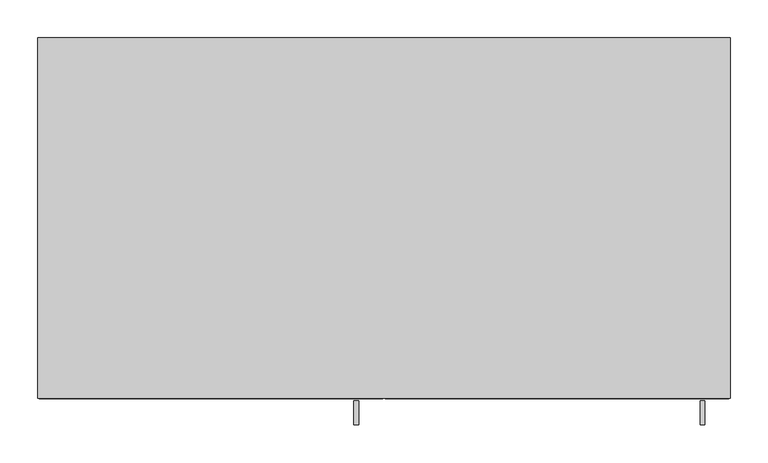
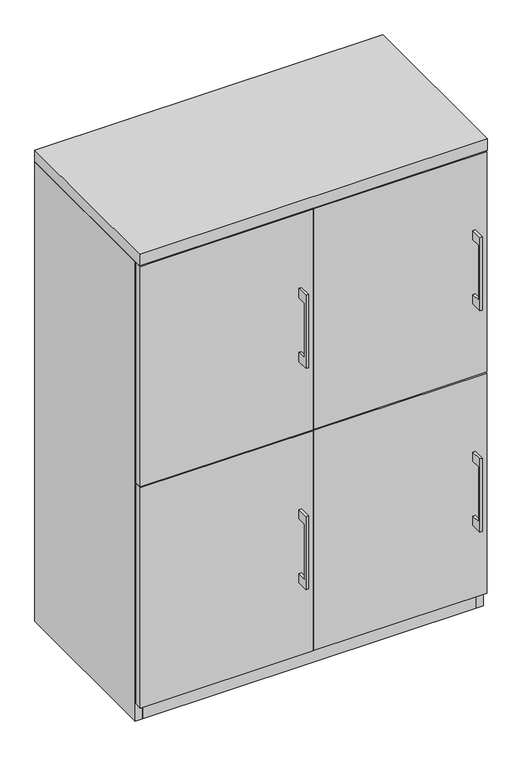
"""IFC4 building model written with IfcOpenShell, lengths in millimetres: furniture geometry."""

from ifc_helpers import new_model, si_unit, frame, origin, origin_with_axes, place, context, project, spatial, polyline, outline, extrude, source, transform, mapped, element, save


def furniture_cedd34ff(model_context):
    return source(origin(), model_context, "Body", "SweptSolid", [
        extrude(outline(polyline([(-479.425, 1043.78125), (-504.8249758, 1043.78125), (-504.8249758, 891.38125), (-479.425, 891.38125), (-479.425, 865.98125), (-511.1749879, 865.98125), (-511.1749879, 1069.18125), (-479.425, 1069.18125), (-479.425, 1043.78125)])), frame((417.5125121, 0.0, 0.0), z_axis=(1.0, 0.0, 0.0), x_axis=(0.0, 1.0, 0.0)), (0.0, 0.0, 1.0), 6.3499758),
        extrude(outline(polyline([(455.6125, -476.25), (1.5875, -476.25), (1.5875, -457.2), (455.6125, -457.2), (455.6125, -476.25)])), frame((0.0, 0.0, 661.9875), z_axis=(0.0, 0.0, 1.0), x_axis=(1.0, 0.0, 0.0)), (0.0, 0.0, 1.0), 611.1875),
        extrude(outline(polyline([(-479.425, 1043.78125), (-504.8249758, 1043.78125), (-504.8249758, 891.38125), (-479.425, 891.38125), (-479.425, 865.98125), (-511.1749879, 865.98125), (-511.1749879, 1069.18125), (-479.425, 1069.18125), (-479.425, 1043.78125)])), frame((-39.6874879, 0.0, 0.0), z_axis=(1.0, 0.0, 0.0), x_axis=(0.0, 1.0, 0.0)), (0.0, 0.0, 1.0), 6.3499758),
        extrude(outline(polyline([(-1.5875, -476.25), (-455.6125, -476.25), (-455.6125, -457.2), (-1.5875, -457.2), (-1.5875, -476.25)])), frame((0.0, 0.0, 661.9875), z_axis=(0.0, 0.0, 1.0), x_axis=(1.0, 0.0, 0.0)), (0.0, 0.0, 1.0), 611.1875),
        extrude(outline(polyline([(-479.425, 429.41875), (-504.8249758, 429.41875), (-504.8249758, 277.01875), (-479.425, 277.01875), (-479.425, 251.61875), (-511.1749879, 251.61875), (-511.1749879, 454.81875), (-479.425, 454.81875), (-479.425, 429.41875)])), frame((417.5125121, 0.0, 0.0), z_axis=(1.0, 0.0, 0.0), x_axis=(0.0, 1.0, 0.0)), (0.0, 0.0, 1.0), 6.3499758),
        extrude(outline(polyline([(455.6125, -476.25), (1.5875, -476.25), (1.5875, -457.2), (455.6125, -457.2), (455.6125, -476.25)])), frame((0.0, 0.0, 47.625), z_axis=(0.0, 0.0, 1.0), x_axis=(1.0, 0.0, 0.0)), (0.0, 0.0, 1.0), 611.1875),
        extrude(outline(polyline([(-479.425, 429.41875), (-504.8249758, 429.41875), (-504.8249758, 277.01875), (-479.425, 277.01875), (-479.425, 251.61875), (-511.1749879, 251.61875), (-511.1749879, 454.81875), (-479.425, 454.81875), (-479.425, 429.41875)])), frame((-39.6874879, 0.0, 0.0), z_axis=(1.0, 0.0, 0.0), x_axis=(0.0, 1.0, 0.0)), (0.0, 0.0, 1.0), 6.3499758),
        extrude(outline(polyline([(-1.5875, -476.25), (-455.6125, -476.25), (-455.6125, -457.2), (-1.5875, -457.2), (-1.5875, -476.25)])), frame((0.0, 0.0, 47.625), z_axis=(0.0, 0.0, 1.0), x_axis=(1.0, 0.0, 0.0)), (0.0, 0.0, 1.0), 611.1875),
        extrude(outline(polyline([(9.525, -19.05), (9.525, -457.2), (-9.525, -457.2), (-9.525, -19.05), (9.525, -19.05)])), frame((0.0, 0.0, 47.625), z_axis=(0.0, 0.0, 1.0), x_axis=(1.0, 0.0, 0.0)), (0.0, 0.0, 1.0), 1228.725),
        extrude(outline(polyline([(438.15, -19.05), (438.15, -457.2), (-438.15, -457.2), (-438.15, -19.05), (438.15, -19.05)])), origin_with_axes(), (0.0, 0.0, 1.0), 47.625),
        extrude(outline(polyline([(457.2, 0.0), (457.2, -476.25), (-457.2, -476.25), (-457.2, 0.0), (457.2, 0.0)])), frame((0.0, 0.0, 1276.35), z_axis=(0.0, 0.0, 1.0), x_axis=(1.0, 0.0, 0.0)), (0.0, 0.0, 1.0), 31.75),
        extrude(outline(polyline([(457.2, 0.0), (457.2, -457.2), (438.15, -457.2), (438.15, -19.05), (-438.15, -19.05), (-438.15, -457.2), (-457.2, -457.2), (-457.2, 0.0), (457.2, 0.0)])), origin_with_axes(), (0.0, 0.0, 1.0), 1276.35),
    ])


if __name__ == "__main__":
    model = new_model("IFC4")
    model_context = context("Model", 3, world=origin())
    ifc_project = project(units=[si_unit("LENGTHUNIT", "METRE", prefix="MILLI")], contexts=[model_context])
    site = spatial("IfcSite", under=ifc_project)
    building = spatial("IfcBuilding", under=site)
    placement = place(None, origin())
    furniture_shape = furniture_cedd34ff(model_context)
    element("IfcFurniture", 1, at=placement, inside=building, context=model_context, shape_type="MappedRepresentation", body=[
        mapped(furniture_shape, transform((0.0, 0.0, 0.0), x_axis=(1.0, 0.0, 0.0), y_axis=(0.0, 1.0, 0.0), z_axis=(0.0, 0.0, 1.0))),
    ])
    save(model, "model.ifc")
